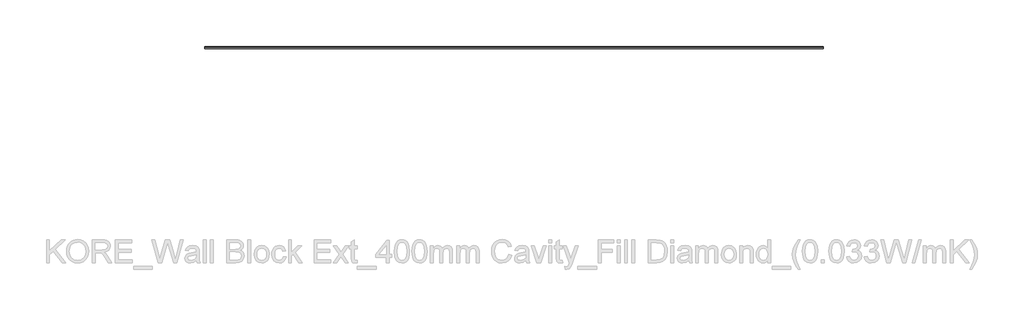
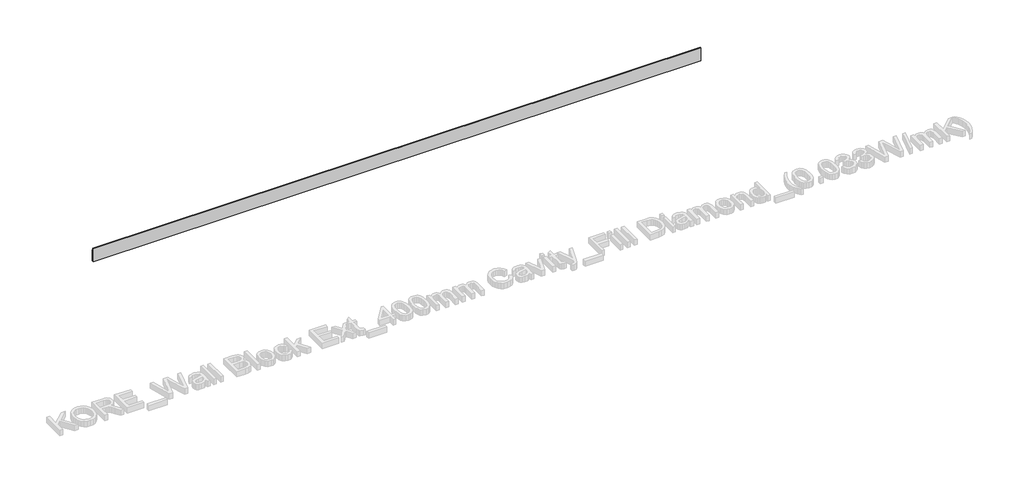
# One storey, part 55 of 60: 1 proxy.
"""IFC4 building model written with IfcOpenShell, lengths in millimetres."""

from ifc_helpers import new_model, si_unit, point, frame, frame_2d, origin, place, context, project, spatial, polyline, circle_curve, trimmed, segment, composite_curve, outline, extrude, element, save

model = new_model("IFC4")

# Units and contexts
model_context = context("Model", 3, world=origin())
ifc_project = project(units=[si_unit("LENGTHUNIT", "METRE", prefix="MILLI")], contexts=[model_context])

# Site, building, storey
site = spatial("IfcSite", under=ifc_project)
building = spatial("IfcBuilding", under=site)
storey = spatial("IfcBuildingStorey", under=building, Elevation=0.0)

# Proxy
placement = place(None, origin())
element("IfcBuildingElementProxy", 1, Name="Wall Sweeps", at=placement, inside=storey, context=model_context, shape_type="SweptSolid", body=[
    extrude(outline(composite_curve([segment(polyline([(38215.4236863, 134.5), (38224.4236863, 134.5), (38224.4236863, 125.2473165)]), True, "CONTINUOUS"), segment(trimmed(circle_curve(frame_2d((38214.8063342, 113.7361681)), 15.0), [point((38224.4236863, 125.2473165))], [point((38229.8063342, 113.7361681))], False, "CARTESIAN"), True, "CONTINUOUS"), segment(polyline([(38229.8063342, 113.7361681), (38229.8063342, 94.9145021), (38233.4236863, 86.1071309), (38233.4236863, 14.5), (38215.4236863, 14.5), (38215.4236863, 134.5)]), True, "CONTINUOUS")], self_intersect=False)), frame((61930.0129216, 0.0, 0.0), z_axis=(1.0, 0.0, 0.0), x_axis=(0.0, 1.0, 0.0)), (0.0, 0.0, 1.0), 5310.0),
])

save(model, "model.ifc")
